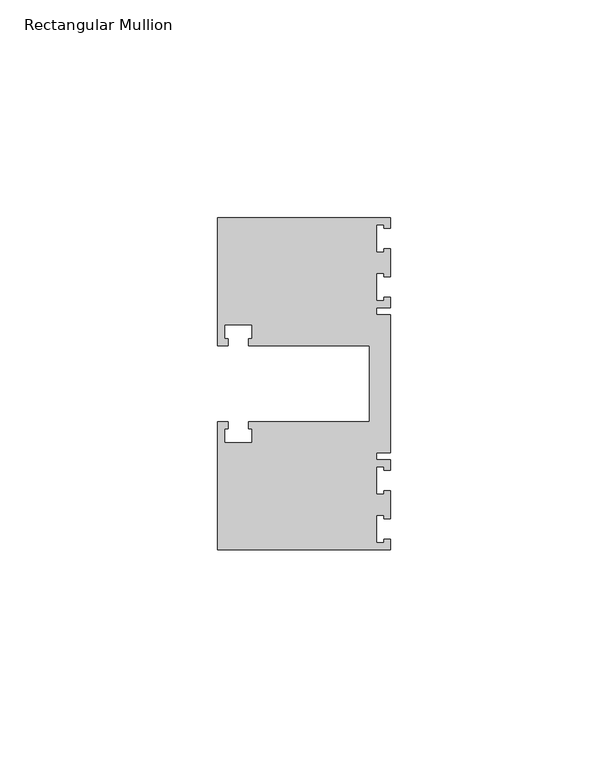
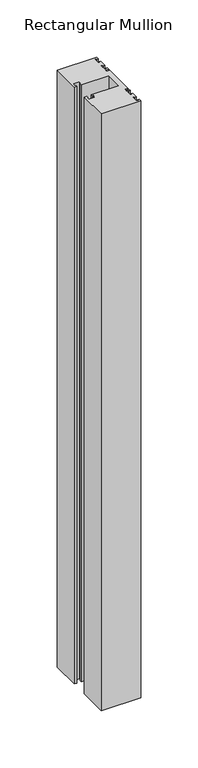
"""IFC4 building model written with IfcOpenShell, lengths in millimetres: member geometry, Rectangular Mullion."""

from ifc_helpers import new_model, si_unit, frame, origin, place, context, project, spatial, polyline, outline, extrude, source, transform, mapped, element, save


def rectangular_mullion_00953480(model_context):
    return source(origin(), model_context, "Body", "SweptSolid", [
        extrude(outline(polyline([(0.0, 38.1), (0.0, 35.71875), (-1.4999946, 35.71875), (-1.4999946, 36.5125), (-3.175, 36.5125), (-3.175, 30.1625), (-1.4999946, 30.1625), (-1.4999946, 30.95625), (0.0, 30.95625), (0.0, 24.60625), (-1.4999946, 24.60625), (-1.4999946, 25.4), (-3.175, 25.4), (-3.175, 19.05), (-1.4999946, 19.05), (-1.4999946, 19.84375), (0.0, 19.84375), (0.0, 17.4625), (-3.175, 17.4625), (-3.175, 15.875), (0.0, 15.875), (0.0, -15.875), (-3.175, -15.875), (-3.175, -17.4625), (0.0, -17.4625), (0.0, -19.84375), (-1.4999946, -19.84375), (-1.4999946, -19.05), (-3.175, -19.05), (-3.175, -25.4), (-1.4999946, -25.4), (-1.4999946, -24.60625), (0.0, -24.60625), (0.0, -30.95625), (-1.4999946, -30.95625), (-1.4999946, -30.1625), (-3.175, -30.1625), (-3.175, -36.5125), (-1.4999946, -36.5125), (-1.4999946, -35.71875), (0.0, -35.71875), (0.0, -38.1), (-39.6875, -38.1), (-39.6875, -8.73125), (-37.30625, -8.73125), (-37.30625, -10.31875), (-38.1, -10.31875), (-38.1, -13.49375), (-31.75, -13.49375), (-31.75, -10.31875), (-32.54375, -10.31875), (-32.54375, -8.73125), (-4.8585733, -8.73125), (-4.8585733, 8.73125), (-32.54375, 8.73125), (-32.54375, 10.31875), (-31.75, 10.31875), (-31.75, 13.49375), (-38.1, 13.49375), (-38.1, 10.31875), (-37.30625, 10.31875), (-37.30625, 8.73125), (-39.6875, 8.73125), (-39.6875, 38.1), (0.0, 38.1)])), frame((0.0, 0.0, -635.0), z_axis=(0.0, 0.0, 1.0), x_axis=(1.0, 0.0, 0.0)), (0.0, 0.0, 1.0), 635.0),
    ])


if __name__ == "__main__":
    model = new_model("IFC4")
    model_context = context("Model", 3, world=origin())
    ifc_project = project(units=[si_unit("LENGTHUNIT", "METRE", prefix="MILLI")], contexts=[model_context])
    site = spatial("IfcSite", under=ifc_project)
    building = spatial("IfcBuilding", under=site)
    placement = place(None, origin())
    rectangular_mullion_shape = rectangular_mullion_00953480(model_context)
    element("IfcMember", 1, ObjectType="Rectangular Mullion", at=placement, inside=building, context=model_context, shape_type="MappedRepresentation", body=[
        mapped(rectangular_mullion_shape, transform((0.0, 0.0, 0.0), x_axis=(1.0, 0.0, 0.0), y_axis=(0.0, 1.0, 0.0), z_axis=(0.0, 0.0, 1.0))),
    ])
    save(model, "model.ifc")
